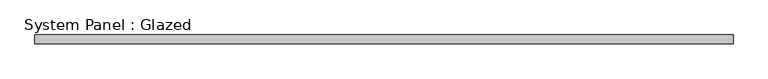
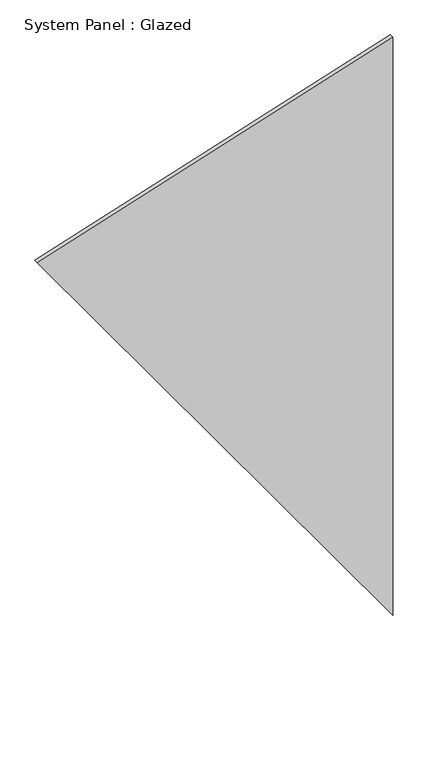
"""IFC4 building model written with IfcOpenShell, lengths in millimetres: plate geometry, System Panel : Glazed."""

import ifcopenshell
import ifcopenshell.guid

model = None  # the IFC model being written
_history = None  # IfcOwnerHistory: only IFC2X3 demands one
_inside = {}  # id of a spatial element -> (the spatial element, [elements in it])
_under = {}  # id of a project, library or spatial element -> (it, [spatial elements below it])
_declared = {}  # id of a project -> (the project, [libraries it declares])
_typed = {}  # id of a type object -> (the type object, [elements of that type])
_made_of = {}  # id of a material, layer set ... -> (it, [elements and type objects made of it])


def new_model(schema):
    """Start an empty IFC model of exactly this schema.

    Asked for "IFC4X3", IfcOpenShell would pick the latest addendum, in which some entities
    have other attributes; the version numbers below select the first issue.
    IFC2X3 requires an IfcOwnerHistory on every rooted entity: one is made here for all.
    """
    global model, _history
    if schema == "IFC4X3":
        model = ifcopenshell.file(schema_version=(4, 3, 0, 0))
    else:
        model = ifcopenshell.file(schema=schema)
    _inside.clear()
    _under.clear()
    _declared.clear()
    _typed.clear()
    _made_of.clear()
    _history = None
    if model.schema == "IFC2X3":
        org = make("IfcOrganization", Name="unknown")
        user = make(
            "IfcPersonAndOrganization",
            ThePerson=make("IfcPerson", FamilyName="unknown"),
            TheOrganization=org,
        )
        app = make(
            "IfcApplication",
            ApplicationDeveloper=org,
            Version="unknown",
            ApplicationFullName="unknown",
            ApplicationIdentifier="unknown",
        )
        _history = make(
            "IfcOwnerHistory",
            OwningUser=user,
            OwningApplication=app,
            ChangeAction="ADDED",
            CreationDate=0,
        )
    return model


def make(cls, **values):
    """One entity of the class cls with the attributes given. An attribute that is None is left unset."""
    return model.create_entity(
        cls, **{name: value for name, value in values.items() if value is not None}
    )


def rooted(cls, **values):
    """An entity with a GlobalId (a new one), such as an element, a storey or a relation."""
    return make(cls, GlobalId=ifcopenshell.guid.new(), OwnerHistory=_history, **values)


def si_unit(unit_type, name, prefix=None):
    """IfcSIUnit, for example si_unit("LENGTHUNIT", "METRE", prefix="MILLI")."""
    return make("IfcSIUnit", UnitType=unit_type, Prefix=prefix, Name=name)


def assignment(units):
    """IfcUnitAssignment: the units of a project."""
    return None if units is None else make("IfcUnitAssignment", Units=units)


def point(xyz):
    """IfcCartesianPoint."""
    return None if xyz is None else make("IfcCartesianPoint", Coordinates=xyz)


def direction(xyz):
    """IfcDirection."""
    return None if xyz is None else make("IfcDirection", DirectionRatios=xyz)


def frame(location, z_axis=None, x_axis=None):
    """IfcAxis2Placement3D, a coordinate frame: its origin and axes. An axis left out is left unset."""
    return make(
        "IfcAxis2Placement3D",
        Location=point(location),
        Axis=direction(z_axis),
        RefDirection=direction(x_axis),
    )


def origin():
    """The frame at (0, 0, 0) with its axes left unset."""
    return frame((0.0, 0.0, 0.0))


def place(relative_to, where):
    """IfcLocalPlacement: puts the frame where relative to a parent placement (None: the world)."""
    return make(
        "IfcLocalPlacement", PlacementRelTo=relative_to, RelativePlacement=where
    )


def context(
    kind, dimensions, precision=None, world=None, true_north=None, identifier=None
):
    """IfcGeometricRepresentationContext, for example the 3D "Model" context."""
    return make(
        "IfcGeometricRepresentationContext",
        ContextIdentifier=identifier,
        ContextType=kind,
        CoordinateSpaceDimension=dimensions,
        Precision=precision,
        WorldCoordinateSystem=world,
        TrueNorth=true_north,
    )


def project(units=None, contexts=None):
    """IfcProject with its units and contexts."""
    return rooted(
        "IfcProject",
        Name="project",
        RepresentationContexts=contexts,
        UnitsInContext=assignment(units),
    )


def spatial(cls, under=None, at=None, **own):
    """A site, building, storey or space (cls), placed at a placement, below another one or the project."""
    s = rooted(cls, ObjectPlacement=at, **own)
    if under is not None:
        _under.setdefault(under.id(), (under, []))[1].append(s)
    return s


def polyline(points):
    """IfcPolyline through the points."""
    return make("IfcPolyline", Points=[point(p) for p in points])


def outline(outer, holes=None, kind="AREA"):
    """IfcArbitraryClosedProfileDef: a profile drawn as a closed curve; with holes, ...WithVoids."""
    if holes is None:
        return make("IfcArbitraryClosedProfileDef", ProfileType=kind, OuterCurve=outer)
    return make(
        "IfcArbitraryProfileDefWithVoids",
        ProfileType=kind,
        OuterCurve=outer,
        InnerCurves=holes,
    )


def extrude(swept, where, along, depth):
    """IfcExtrudedAreaSolid: the profile swept, set in the frame where, extruded along a direction by depth."""
    return make(
        "IfcExtrudedAreaSolid",
        SweptArea=swept,
        Position=where,
        ExtrudedDirection=direction(along),
        Depth=depth,
    )


def shape(context_of_items, identifier, shape_type, items):
    """IfcShapeRepresentation: the items that make up one representation, for example the "Body"."""
    return make(
        "IfcShapeRepresentation",
        ContextOfItems=context_of_items,
        RepresentationIdentifier=identifier,
        RepresentationType=shape_type,
        Items=items,
    )


def source(mapping_origin, context_of_items, identifier, shape_type, items):
    """IfcRepresentationMap: a shape defined once, which mapped items show again and again."""
    return make(
        "IfcRepresentationMap",
        MappingOrigin=mapping_origin,
        MappedRepresentation=shape(context_of_items, identifier, shape_type, items),
    )


def transform(
    local_origin,
    x_axis=None,
    y_axis=None,
    z_axis=None,
    scale=None,
    scale2=None,
    scale3=None,
    uniform=True,
):
    """IfcCartesianTransformationOperator3D, or its non-uniform kind. x_axis, y_axis, z_axis: its Axis1, 2, 3."""
    if uniform:
        return make(
            "IfcCartesianTransformationOperator3D",
            Axis1=direction(x_axis),
            Axis2=direction(y_axis),
            LocalOrigin=point(local_origin),
            Scale=scale,
            Axis3=direction(z_axis),
        )
    return make(
        "IfcCartesianTransformationOperator3DnonUniform",
        Axis1=direction(x_axis),
        Axis2=direction(y_axis),
        LocalOrigin=point(local_origin),
        Scale=scale,
        Axis3=direction(z_axis),
        Scale2=scale2,
        Scale3=scale3,
    )


def mapped(mapping_source, mapping_target):
    """IfcMappedItem: shows the shape of a source again, moved by a transform."""
    return make(
        "IfcMappedItem", MappingSource=mapping_source, MappingTarget=mapping_target
    )


def made_of(thing, what):
    """Note that an element or type object is made of a material, layer set ...; save() writes the relation."""
    if what is not None:
        _made_of.setdefault(what.id(), (what, []))[1].append(thing)
    return thing


def element(
    cls,
    number,
    at=None,
    inside=None,
    cuts=None,
    type_object=None,
    material=None,
    context=None,
    identifier="Body",
    shape_type=None,
    held_by="IfcProductDefinitionShape",
    body=None,
    shapes=None,
    **own,
):
    """One element of the class cls, such as IfcWall. Its Tag is "e" and its number.

    at: its placement. inside: the storey or other place that contains it. cuts: it is an
    opening in that element (IfcRelVoidsElement). A single representation is given by context,
    identifier, shape_type and body (its items); several are given by shapes. held_by: the class
    of the entity that holds the representations. save() writes the other relations.
    """
    e = rooted(cls, Tag="e%d" % number, ObjectPlacement=at, **own)
    if body is not None:
        shapes = [shape(context, identifier, shape_type, body)]
    if shapes is not None:
        e.Representation = make(held_by, Representations=shapes)
    if inside is not None:
        _inside.setdefault(inside.id(), (inside, []))[1].append(e)
    if cuts is not None:
        rooted(
            "IfcRelVoidsElement", RelatingBuildingElement=cuts, RelatedOpeningElement=e
        )
    if type_object is not None:
        _typed.setdefault(type_object.id(), (type_object, []))[1].append(e)
    return made_of(e, material)


def aggregate(whole, parts):
    """IfcRelAggregates: a whole, such as a stair, and the parts it consists of."""
    return rooted("IfcRelAggregates", RelatingObject=whole, RelatedObjects=parts)


def save(model, path):
    """Write the relations noted so far, then the file.

    IfcRelAggregates (storeys below a building ...), IfcRelContainedInSpatialStructure (elements
    in a storey), IfcRelDefinesByType, IfcRelAssociatesMaterial and IfcRelDeclares: one each for
    every whole, place, type object, material and project.
    """
    for whole, parts in _under.values():
        aggregate(whole, parts)
    for where, things in _inside.values():
        rooted(
            "IfcRelContainedInSpatialStructure",
            RelatedElements=things,
            RelatingStructure=where,
        )
    for kind, things in _typed.values():
        rooted("IfcRelDefinesByType", RelatedObjects=things, RelatingType=kind)
    for what, things in _made_of.values():
        rooted("IfcRelAssociatesMaterial", RelatedObjects=things, RelatingMaterial=what)
    for by, libraries in _declared.values():
        rooted("IfcRelDeclares", RelatingContext=by, RelatedDefinitions=libraries)
    model.write(path)


def system_panel_glazed_ad6faf27(model_context):
    return source(origin(), model_context, "Body", "SweptSolid", [
        extrude(outline(polyline([(0.0, 998.8007978), (0.4791245, 1000.2956997), (3439.5285811, 1000.275544), (2798.3342115, -1000.2956997), (0.0, 998.8007978)])), frame((0.0, -49.5, 0.0), z_axis=(0.0, 1.0, 0.0), x_axis=(0.0, 0.0, 1.0)), (0.0, 0.0, 1.0), 25.0),
    ])


if __name__ == "__main__":
    model = new_model("IFC4")
    model_context = context("Model", 3, world=origin())
    ifc_project = project(units=[si_unit("LENGTHUNIT", "METRE", prefix="MILLI")], contexts=[model_context])
    site = spatial("IfcSite", under=ifc_project)
    building = spatial("IfcBuilding", under=site)
    placement = place(None, origin())
    system_panel_glazed_shape = system_panel_glazed_ad6faf27(model_context)
    element("IfcPlate", 1, ObjectType="System Panel : Glazed", at=placement, inside=building, context=model_context, shape_type="MappedRepresentation", body=[
        mapped(system_panel_glazed_shape, transform((0.0, 0.0, 0.0), x_axis=(1.0, 0.0, 0.0), y_axis=(0.0, 1.0, 0.0), z_axis=(0.0, 0.0, 1.0))),
    ])
    save(model, "model.ifc")
